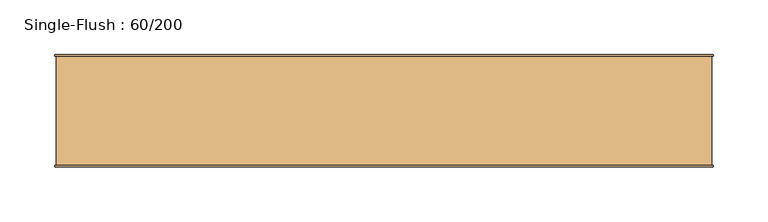
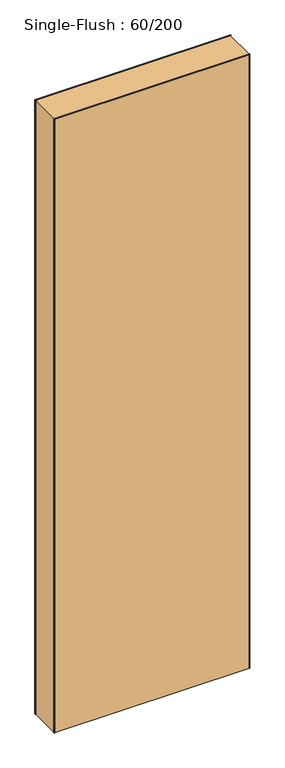
"""IFC4 building model written with IfcOpenShell, lengths in millimetres: door geometry, Single-Flush : 60/200."""

from ifc_helpers import new_model, si_unit, frame, origin, origin_with_axes, place, context, project, spatial, polyline, outline, extrude, source, transform, mapped, element, save


def single_flush_60_200_42119b7b(model_context):
    return source(origin(), model_context, "Body", "SweptSolid", [
        extrude(outline(polyline([(2001.5875, -301.5875), (0.0, -301.5875), (0.0, -300.0), (2000.0, -300.0), (2000.0, 300.0), (0.0, 300.0), (0.0, 301.5875), (2001.5875, 301.5875), (2001.5875, -301.5875)])), frame((0.0, -51.5875, 0.0), z_axis=(0.0, 1.0, 0.0), x_axis=(0.0, 0.0, 1.0)), (0.0, 0.0, 1.0), 1.5875),
        extrude(outline(polyline([(2001.5875, 301.5875), (2001.5875, -301.5875), (0.0, -301.5875), (0.0, -300.0), (2000.0, -300.0), (2000.0, 300.0), (0.0, 300.0), (0.0, 301.5875), (2001.5875, 301.5875)])), frame((0.0, 50.0, 0.0), z_axis=(0.0, 1.0, 0.0), x_axis=(0.0, 0.0, 1.0)), (0.0, 0.0, 1.0), 1.5875),
        extrude(outline(polyline([(300.0, 50.0), (300.0, -50.0), (-300.0, -50.0), (-300.0, 50.0), (300.0, 50.0)])), origin_with_axes(), (0.0, 0.0, 1.0), 2000.0),
    ])


if __name__ == "__main__":
    model = new_model("IFC4")
    model_context = context("Model", 3, world=origin())
    ifc_project = project(units=[si_unit("LENGTHUNIT", "METRE", prefix="MILLI")], contexts=[model_context])
    site = spatial("IfcSite", under=ifc_project)
    building = spatial("IfcBuilding", under=site)
    placement = place(None, origin())
    single_flush_60_200_shape = single_flush_60_200_42119b7b(model_context)
    element("IfcDoor", 1, ObjectType="Single-Flush : 60/200", at=placement, inside=building, context=model_context, shape_type="MappedRepresentation", body=[
        mapped(single_flush_60_200_shape, transform((0.0, 0.0, 0.0), x_axis=(1.0, 0.0, 0.0), y_axis=(0.0, 1.0, 0.0), z_axis=(0.0, 0.0, 1.0))),
    ])
    save(model, "model.ifc")
